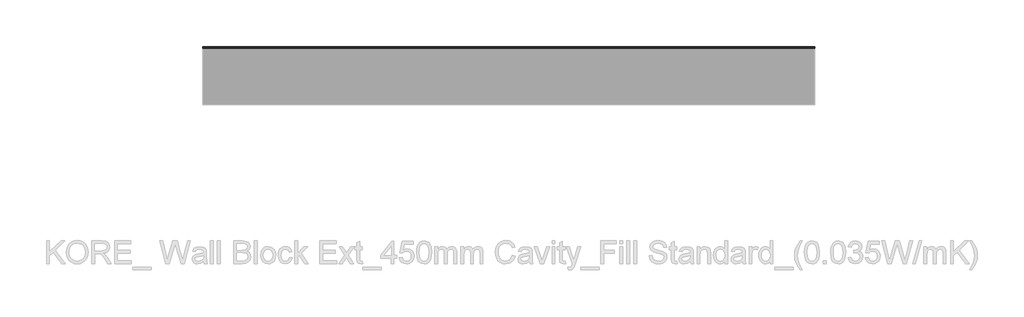
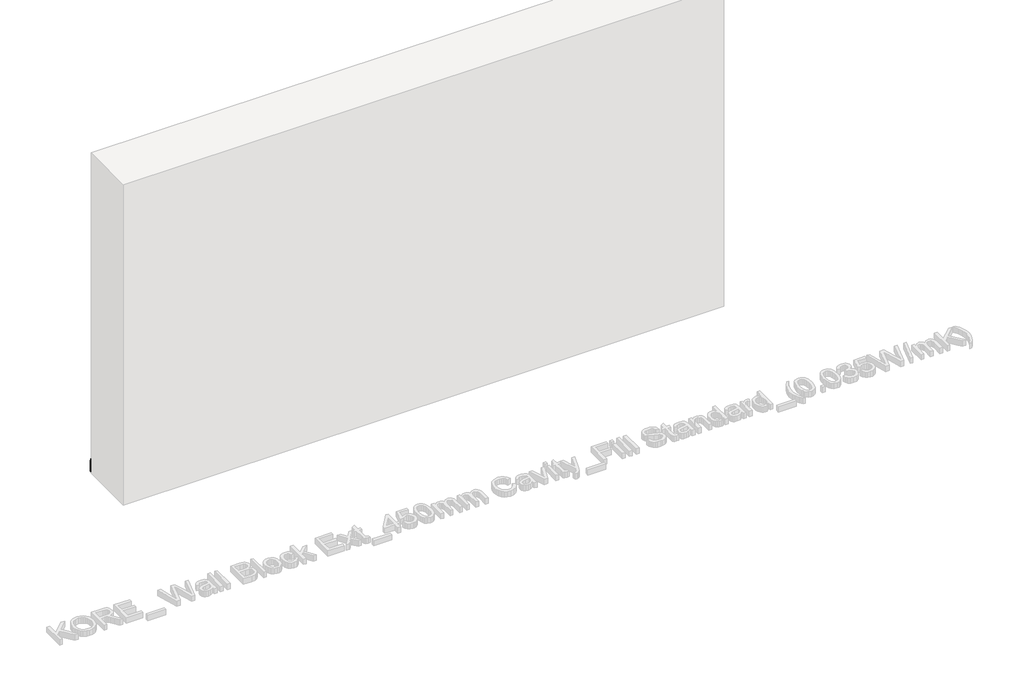
# One storey, part 24 of 60: 1 proxy.
"""IFC4 building model written with IfcOpenShell, lengths in millimetres."""

from ifc_helpers import new_model, si_unit, point, frame, frame_2d, origin, place, context, project, spatial, polyline, circle_curve, trimmed, segment, composite_curve, outline, extrude, element, save

model = new_model("IFC4")

# Units and contexts
model_context = context("Model", 3, world=origin())
ifc_project = project(units=[si_unit("LENGTHUNIT", "METRE", prefix="MILLI")], contexts=[model_context])

# Site, building, storey
site = spatial("IfcSite", under=ifc_project)
building = spatial("IfcBuilding", under=site)
storey = spatial("IfcBuildingStorey", under=building, Elevation=0.0)

# Proxy
placement = place(None, origin())
element("IfcBuildingElementProxy", 1, Name="Wall Sweeps", at=placement, inside=storey, context=model_context, shape_type="SweptSolid", body=[
    extrude(outline(composite_curve([segment(polyline([(6240.4236863, 129.5), (6249.4236863, 129.5), (6249.4236863, 120.2473165)]), True, "CONTINUOUS"), segment(trimmed(circle_curve(frame_2d((6239.8063342, 108.7361681)), 15.0), [point((6249.4236863, 120.2473165))], [point((6254.8063342, 108.7361681))], False, "CARTESIAN"), True, "CONTINUOUS"), segment(polyline([(6254.8063342, 108.7361681), (6254.8063342, 89.9145021), (6258.4236863, 81.1071309), (6258.4236863, 9.5), (6240.4236863, 9.5), (6240.4236863, 129.5)]), True, "CONTINUOUS")], self_intersect=False)), frame((39930.0129216, 0.0, 0.0), z_axis=(1.0, 0.0, 0.0), x_axis=(0.0, 1.0, 0.0)), (0.0, 0.0, 1.0), 5310.0),
])

save(model, "model.ifc")
